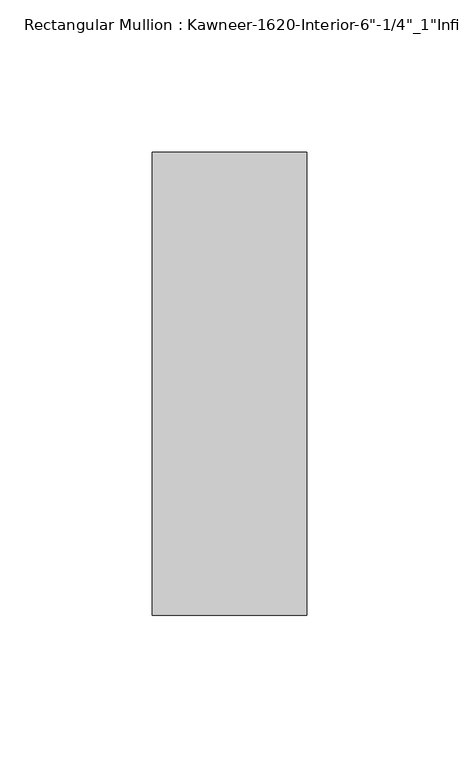
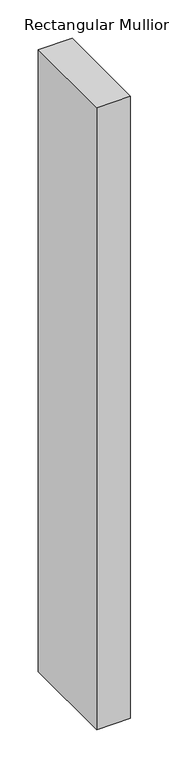
"""IFC4 building model written with IfcOpenShell, lengths in millimetres: member geometry."""

from ifc_helpers import new_model, si_unit, frame, origin, place, context, project, spatial, polyline, outline, extrude, source, transform, mapped, element, save


def member_beeb17da(model_context):
    return source(origin(), model_context, "Body", "SweptSolid", [
        extrude(outline(polyline([(25.4, -123.825), (-25.4, -123.825), (-25.4, 28.575), (25.4, 28.575), (25.4, -123.825)])), frame((0.0, 0.0, -990.6), z_axis=(0.0, 0.0, 1.0), x_axis=(1.0, 0.0, 0.0)), (0.0, 0.0, 1.0), 990.6),
    ])


if __name__ == "__main__":
    model = new_model("IFC4")
    model_context = context("Model", 3, world=origin())
    ifc_project = project(units=[si_unit("LENGTHUNIT", "METRE", prefix="MILLI")], contexts=[model_context])
    site = spatial("IfcSite", under=ifc_project)
    building = spatial("IfcBuilding", under=site)
    placement = place(None, origin())
    member_shape = member_beeb17da(model_context)
    element("IfcMember", 1, ObjectType="Rectangular Mullion : Kawneer-1620-Interior-6\"-1/4\"_1\"Infill", at=placement, inside=building, context=model_context, shape_type="MappedRepresentation", body=[
        mapped(member_shape, transform((0.0, 0.0, 0.0), x_axis=(1.0, 0.0, 0.0), y_axis=(0.0, 1.0, 0.0), z_axis=(0.0, 0.0, 1.0))),
    ])
    save(model, "model.ifc")
